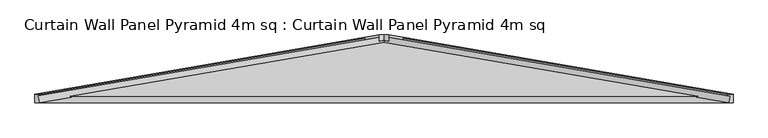
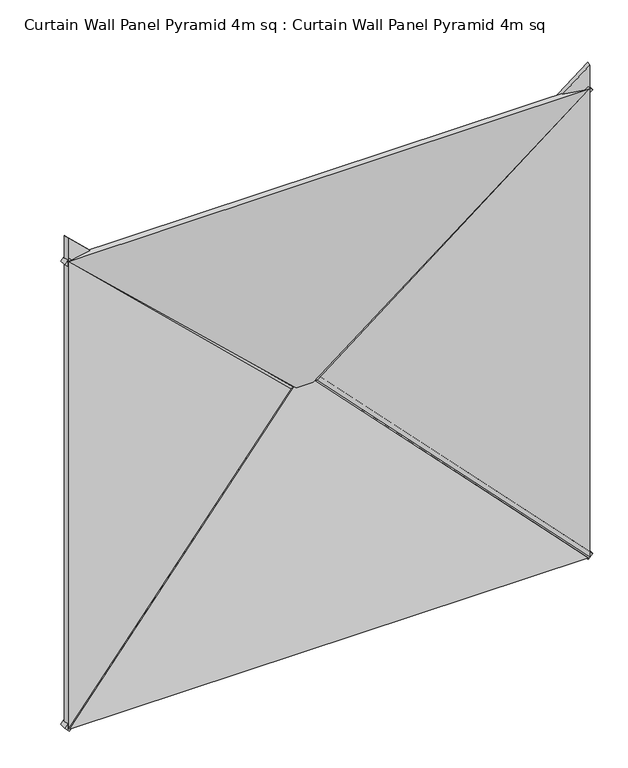
"""IFC4 building model written with IfcOpenShell, lengths in millimetres: plate geometry, Curtain Wall Panel Pyramid 4m sq : Curtain Wall Panel Pyramid 4m sq."""

from ifc_helpers import new_model, si_unit, frame, origin, place, context, project, spatial, polyline, outline, extrude, source, transform, mapped, element, save


def curtain_wall_panel_pyramid_4m_sq_curtain_wall_panel_pyramid_393d2416(model_context):
    return source(origin(), model_context, "Body", "SweptSolid", [
        extrude(outline(polyline([(-25.0, 0.0), (25.0, 0.0), (-319.5008531, -2828.2124727), (-369.5008531, -2828.2124727), (-25.0, 0.0)])), frame((1992.3223305, 25.0, -17.6776695), z_axis=(0.7071067811865489, 0.0, 0.7071067811865462), x_axis=(0.0, -1.0, 0.0)), (0.0, 0.0, 1.0), 50.0),
        extrude(outline(polyline([(-25.0, 0.0), (25.0, 0.0), (369.5008531, -2828.2124727), (319.5008531, -2828.2124727), (-25.0, 0.0)])), frame((-1992.3223305, 25.0, -17.6776695), z_axis=(-0.7071067811865475, 0.0, 0.7071067811865476), x_axis=(0.0, 1.0, 0.0)), (0.0, 0.0, 1.0), 50.0),
        extrude(outline(polyline([(-25.0, 0.0), (25.0, 0.0), (369.5008531, -2828.2124727), (319.5008531, -2828.2124727), (-25.0, 0.0)])), frame((-2027.6776695, 25.0, 3782.3223305), z_axis=(0.7071067811865488, 0.0, 0.7071067811865462), x_axis=(0.0, 1.0, 0.0)), (0.0, 0.0, 1.0), 50.0),
        extrude(outline(polyline([(-25.0, 0.0), (25.0, 0.0), (-319.5008531, -2828.2124727), (-369.5008531, -2828.2124727), (-25.0, 0.0)])), frame((2027.6776695, 25.0, 3782.3223305), z_axis=(-0.7071067811865472, 0.0, 0.7071067811865479), x_axis=(0.0, -1.0, 0.0)), (0.0, 0.0, 1.0), 50.0),
        extrude(outline(polyline([(1993.2098768, -1014.7271131), (-2.1709376, 1016.8143409), (3988.5906912, 1016.8143409), (1993.2098768, -1014.7271131)])), frame((1000.0, 172.8335872, 0.0), z_axis=(0.16975307948003834, 0.9854866270056859, 0.0), x_axis=(0.0, 0.0, 1.0)), (0.0, 0.0, 1.0), 40.0),
        extrude(outline(polyline([(0.0, -1014.7271131), (-1991.3928218, 1012.7540773), (1991.3928218, 1012.7540773), (0.0, -1014.7271131)])), frame((0.0, 212.2530523, 986.4197536), z_axis=(0.0, -0.9854866270056859, 0.16975307948003834), x_axis=(-1.0, 0.0, 0.0)), (0.0, 0.0, 1.0), 40.0),
        extrude(outline(polyline([(1993.2098768, 1014.7271131), (3986.6374086, -1014.8256606), (-0.217655, -1014.8256606), (1993.2098768, 1014.7271131)])), frame((-1000.0, 172.8335872, 0.0), z_axis=(-0.16975307948003834, 0.9854866270056859, 0.0), x_axis=(0.0, 0.0, 1.0)), (0.0, 0.0, 1.0), 40.0),
        extrude(outline(polyline([(1996.304868, -1017.8221042), (-1996.2959025, -1017.8221042), (2.4233431, 976.0594205), (1996.304868, -1017.8221042)])), frame((0.0, 172.8335872, 2793.2098768), z_axis=(0.0, 0.9854866270056859, 0.16975307948003832), x_axis=(1.0, 0.0, 0.0)), (0.0, 0.0, 1.0), 40.0),
    ])


if __name__ == "__main__":
    model = new_model("IFC4")
    model_context = context("Model", 3, world=origin())
    ifc_project = project(units=[si_unit("LENGTHUNIT", "METRE", prefix="MILLI")], contexts=[model_context])
    site = spatial("IfcSite", under=ifc_project)
    building = spatial("IfcBuilding", under=site)
    placement = place(None, origin())
    curtain_wall_panel_pyramid_4m_sq_curtain_wall_panel_pyramid_shape = curtain_wall_panel_pyramid_4m_sq_curtain_wall_panel_pyramid_393d2416(model_context)
    element("IfcPlate", 1, ObjectType="Curtain Wall Panel Pyramid 4m sq : Curtain Wall Panel Pyramid 4m sq", at=placement, inside=building, context=model_context, shape_type="MappedRepresentation", body=[
        mapped(curtain_wall_panel_pyramid_4m_sq_curtain_wall_panel_pyramid_shape, transform((0.0, 0.0, 0.0), x_axis=(1.0, 0.0, 0.0), y_axis=(0.0, 1.0, 0.0), z_axis=(0.0, 0.0, 1.0))),
    ])
    save(model, "model.ifc")
